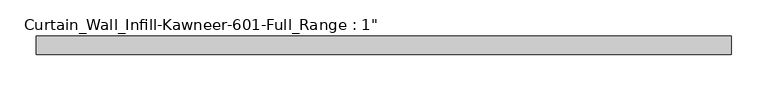
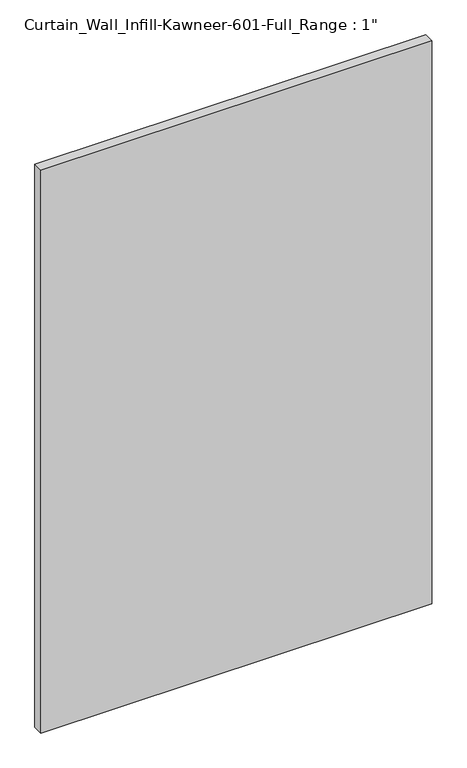
"""IFC4 building model written with IfcOpenShell, lengths in millimetres: plate geometry."""

from ifc_helpers import new_model, si_unit, origin, origin_with_axes, place, context, project, spatial, polyline, outline, extrude, source, transform, mapped, element, save


def plate_0771a88e(model_context):
    return source(origin(), model_context, "Body", "SweptSolid", [
        extrude(outline(polyline([(-477.8375, -12.7), (-477.8375, 12.7), (477.8375, 12.7), (477.8375, -12.7), (-477.8375, -12.7)])), origin_with_axes(), (0.0, 0.0, 1.0), 1454.15),
    ])


if __name__ == "__main__":
    model = new_model("IFC4")
    model_context = context("Model", 3, world=origin())
    ifc_project = project(units=[si_unit("LENGTHUNIT", "METRE", prefix="MILLI")], contexts=[model_context])
    site = spatial("IfcSite", under=ifc_project)
    building = spatial("IfcBuilding", under=site)
    placement = place(None, origin())
    plate_shape = plate_0771a88e(model_context)
    element("IfcPlate", 1, ObjectType="Curtain_Wall_Infill-Kawneer-601-Full_Range : 1\"", at=placement, inside=building, context=model_context, shape_type="MappedRepresentation", body=[
        mapped(plate_shape, transform((0.0, 0.0, 0.0), x_axis=(1.0, 0.0, 0.0), y_axis=(0.0, 1.0, 0.0), z_axis=(0.0, 0.0, 1.0))),
    ])
    save(model, "model.ifc")
